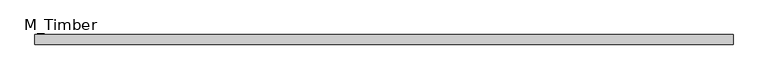
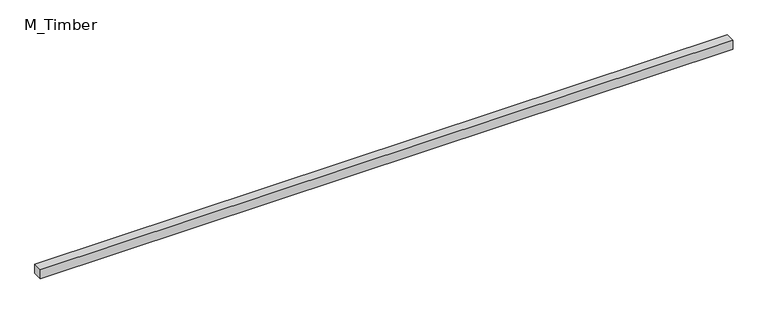
"""IFC4 building model written with IfcOpenShell, lengths in millimetres: beam geometry, M_Timber."""

from ifc_helpers import new_model, si_unit, frame, origin, place, context, project, spatial, polyline, outline, extrude, source, transform, mapped, element, save


def m_timber_aa1bf2fa(model_context):
    return source(origin(), model_context, "Body", "SweptSolid", [
        extrude(outline(polyline([(1447.4168952, 20.0), (1447.4168952, -20.0), (-1447.4168952, -20.0), (-1447.4168952, 20.0), (1447.4168952, 20.0)])), frame((0.0, 0.0, -20.0), z_axis=(0.0, 0.0, 1.0), x_axis=(1.0, 0.0, 0.0)), (0.0, 0.0, 1.0), 40.0),
    ])


if __name__ == "__main__":
    model = new_model("IFC4")
    model_context = context("Model", 3, world=origin())
    ifc_project = project(units=[si_unit("LENGTHUNIT", "METRE", prefix="MILLI")], contexts=[model_context])
    site = spatial("IfcSite", under=ifc_project)
    building = spatial("IfcBuilding", under=site)
    placement = place(None, origin())
    m_timber_shape = m_timber_aa1bf2fa(model_context)
    element("IfcBeam", 1, ObjectType="M_Timber", at=placement, inside=building, context=model_context, shape_type="MappedRepresentation", body=[
        mapped(m_timber_shape, transform((0.0, 0.0, 0.0), x_axis=(1.0, 0.0, 0.0), y_axis=(0.0, 1.0, 0.0), z_axis=(0.0, 0.0, 1.0))),
    ])
    save(model, "model.ifc")
